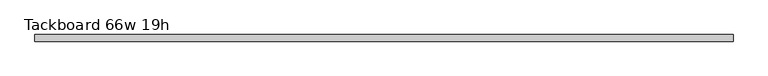
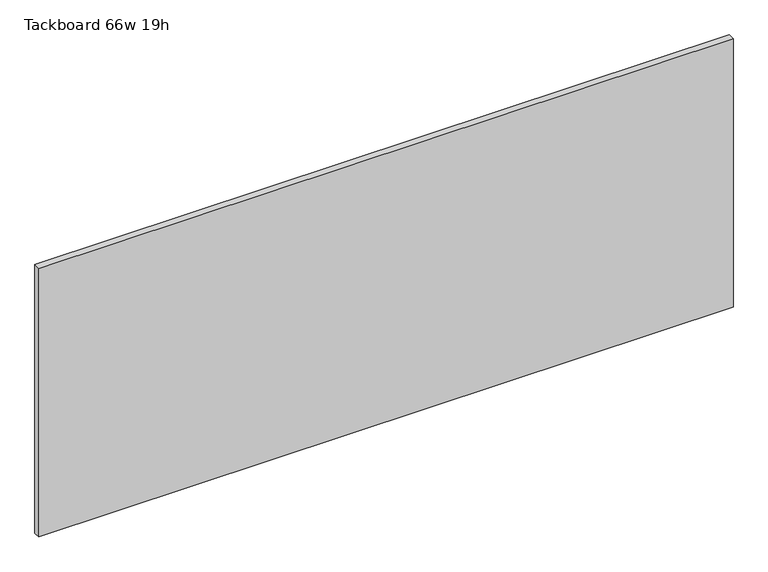
"""IFC4 building model written with IfcOpenShell, lengths in millimetres: furniture geometry, Tackboard 66w 19h."""

from ifc_helpers import new_model, si_unit, frame, origin, place, context, project, spatial, polyline, outline, extrude, source, transform, mapped, element, save


def tackboard_66w_19h_2ac81def(model_context):
    return source(origin(), model_context, "Body", "SweptSolid", [
        extrude(outline(polyline([(840.6402902, -28.8968594), (-835.7597098, -28.8968594), (-835.7597098, -13.0218594), (840.6402902, -13.0218594), (840.6402902, -28.8968594)])), frame((0.0, 0.0, 1066.8), z_axis=(0.0, 0.0, 1.0), x_axis=(1.0, 0.0, 0.0)), (0.0, 0.0, 1.0), 685.8),
    ])


if __name__ == "__main__":
    model = new_model("IFC4")
    model_context = context("Model", 3, world=origin())
    ifc_project = project(units=[si_unit("LENGTHUNIT", "METRE", prefix="MILLI")], contexts=[model_context])
    site = spatial("IfcSite", under=ifc_project)
    building = spatial("IfcBuilding", under=site)
    placement = place(None, origin())
    tackboard_66w_19h_shape = tackboard_66w_19h_2ac81def(model_context)
    element("IfcFurniture", 1, ObjectType="Tackboard 66w 19h", at=placement, inside=building, context=model_context, shape_type="MappedRepresentation", body=[
        mapped(tackboard_66w_19h_shape, transform((0.0, 0.0, 0.0), x_axis=(1.0, 0.0, 0.0), y_axis=(0.0, 1.0, 0.0), z_axis=(0.0, 0.0, 1.0))),
    ])
    save(model, "model.ifc")
